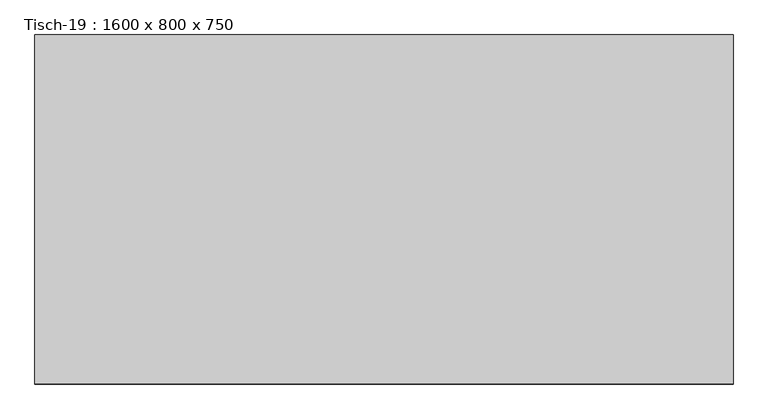
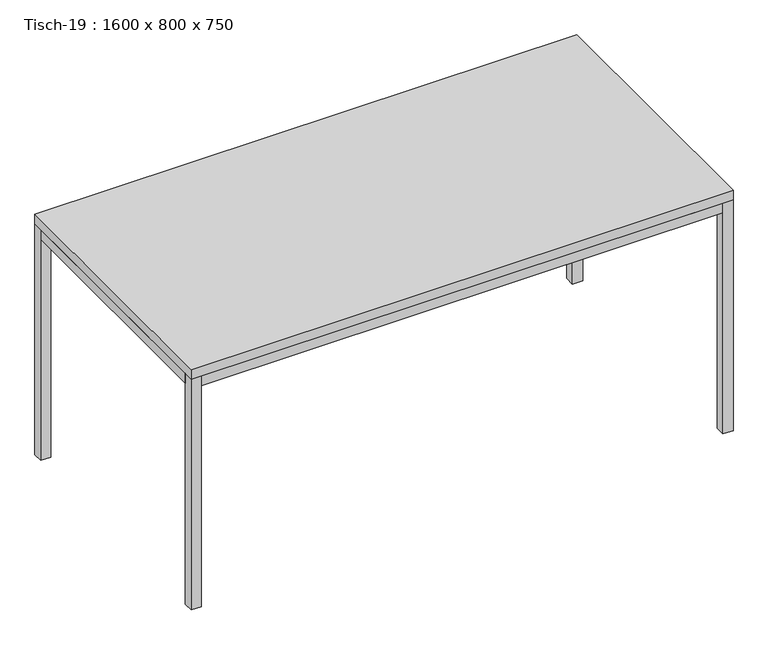
"""IFC4 building model written with IfcOpenShell, lengths in millimetres: furniture geometry, Tisch-19 : 1600 x 800 x 750."""

from ifc_helpers import new_model, si_unit, frame, origin, origin_with_axes, place, context, project, spatial, polyline, outline, extrude, source, transform, mapped, element, save


def tisch_19_1600_x_800_x_750_c343ec08(model_context):
    return source(origin(), model_context, "Body", "SweptSolid", [
        extrude(outline(polyline([(13.435329, 400.0), (13.435329, -400.0), (-1586.564671, -400.0), (-1586.564671, 400.0), (13.435329, 400.0)])), frame((0.0, 0.0, 720.0), z_axis=(0.0, 0.0, 1.0), x_axis=(1.0, 0.0, 0.0)), (0.0, 0.0, 1.0), 30.0),
        extrude(outline(polyline([(-1556.564671, 400.0), (-1556.564671, 370.0), (-1586.564671, 370.0), (-1586.564671, 400.0), (-1556.564671, 400.0)])), origin_with_axes(), (0.0, 0.0, 1.0), 720.0),
        extrude(outline(polyline([(-1556.564671, -400.0), (-1586.564671, -400.0), (-1586.564671, -370.0), (-1556.564671, -370.0), (-1556.564671, -400.0)])), origin_with_axes(), (0.0, 0.0, 1.0), 720.0),
        extrude(outline(polyline([(-16.564671, 400.0), (13.435329, 400.0), (13.435329, 370.0), (-16.564671, 370.0), (-16.564671, 400.0)])), origin_with_axes(), (0.0, 0.0, 1.0), 720.0),
        extrude(outline(polyline([(-16.564671, -400.0), (-16.564671, -370.0), (13.435329, -370.0), (13.435329, -400.0), (-16.564671, -400.0)])), origin_with_axes(), (0.0, 0.0, 1.0), 720.0),
        extrude(outline(polyline([(-1556.564671, 370.0), (-1556.564671, -370.0), (-1586.564671, -370.0), (-1586.564671, 370.0), (-1556.564671, 370.0)])), frame((0.0, 0.0, 690.0), z_axis=(0.0, 0.0, 1.0), x_axis=(1.0, 0.0, 0.0)), (0.0, 0.0, 1.0), 30.0),
        extrude(outline(polyline([(-16.564671, 370.0), (13.435329, 370.0), (13.435329, -370.0), (-16.564671, -370.0), (-16.564671, 370.0)])), frame((0.0, 0.0, 690.0), z_axis=(0.0, 0.0, 1.0), x_axis=(1.0, 0.0, 0.0)), (0.0, 0.0, 1.0), 30.0),
        extrude(outline(polyline([(-16.564671, 400.0), (-16.564671, 370.0), (-1556.564671, 370.0), (-1556.564671, 400.0), (-16.564671, 400.0)])), frame((0.0, 0.0, 690.0), z_axis=(0.0, 0.0, 1.0), x_axis=(1.0, 0.0, 0.0)), (0.0, 0.0, 1.0), 30.0),
        extrude(outline(polyline([(-16.564671, -400.0), (-1556.564671, -400.0), (-1556.564671, -370.0), (-16.564671, -370.0), (-16.564671, -400.0)])), frame((0.0, 0.0, 690.0), z_axis=(0.0, 0.0, 1.0), x_axis=(1.0, 0.0, 0.0)), (0.0, 0.0, 1.0), 30.0),
    ])


if __name__ == "__main__":
    model = new_model("IFC4")
    model_context = context("Model", 3, world=origin())
    ifc_project = project(units=[si_unit("LENGTHUNIT", "METRE", prefix="MILLI")], contexts=[model_context])
    site = spatial("IfcSite", under=ifc_project)
    building = spatial("IfcBuilding", under=site)
    placement = place(None, origin())
    tisch_19_1600_x_800_x_750_shape = tisch_19_1600_x_800_x_750_c343ec08(model_context)
    element("IfcFurniture", 1, ObjectType="Tisch-19 : 1600 x 800 x 750", at=placement, inside=building, context=model_context, shape_type="MappedRepresentation", body=[
        mapped(tisch_19_1600_x_800_x_750_shape, transform((0.0, 0.0, 0.0), x_axis=(1.0, 0.0, 0.0), y_axis=(0.0, 1.0, 0.0), z_axis=(0.0, 0.0, 1.0))),
    ])
    save(model, "model.ifc")
